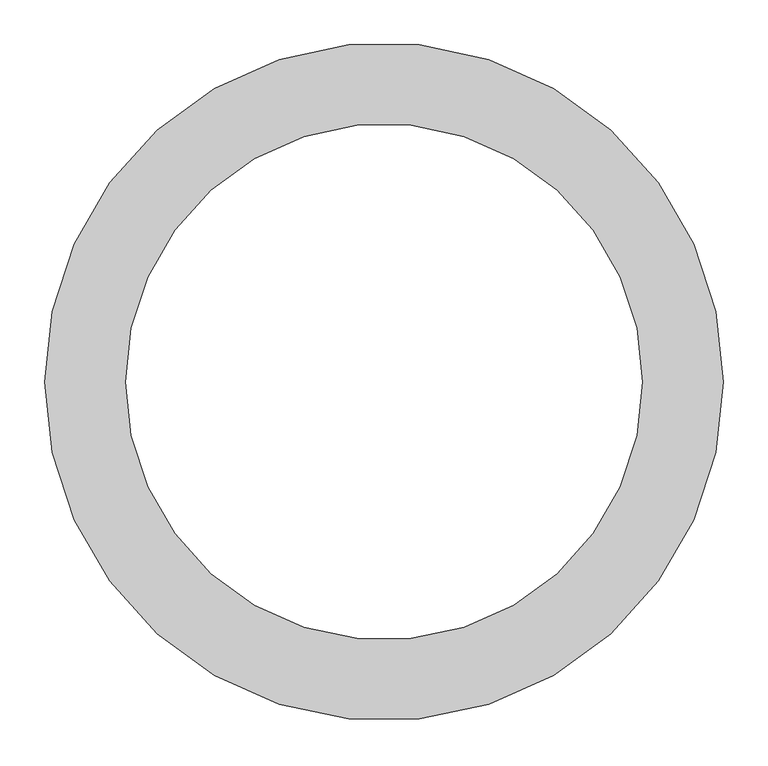
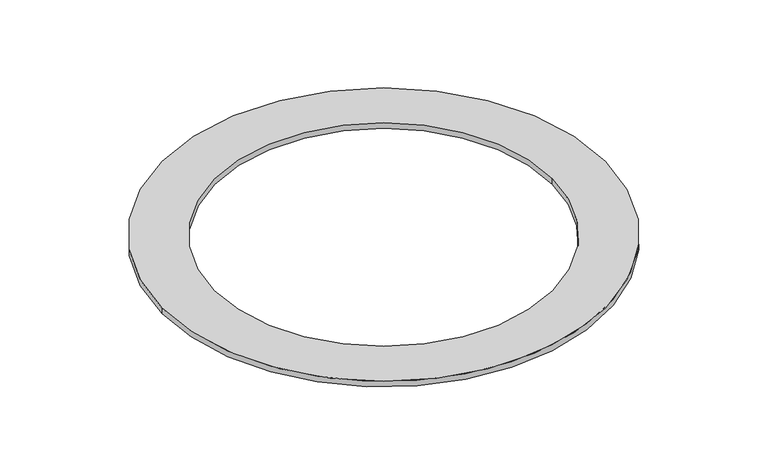
"""IFC4 building model written with IfcOpenShell, lengths in millimetres: furniture geometry."""

from ifc_helpers import new_model, si_unit, point, origin, origin_with_axes, origin_2d, place, context, project, spatial, circle_curve, trimmed, segment, composite_curve, outline, extrude, source, transform, mapped, element, save


def furniture_388f5440(model_context):
    return source(origin(), model_context, "Body", "SweptSolid", [
        extrude(outline(composite_curve([segment(trimmed(circle_curve(origin_2d(), 377.2672322), [point((-377.2672322, 0.0))], [point((377.2672322, 0.0))], False, "CARTESIAN"), True, "CONTINUOUS"), segment(trimmed(circle_curve(origin_2d(), 377.2672322), [point((377.2672322, 0.0))], [point((-377.2672322, 0.0))], False, "CARTESIAN"), True, "CONTINUOUS")], self_intersect=False), holes=[composite_curve([segment(trimmed(circle_curve(origin_2d(), 287.2672322), [point((287.2672322, 0.0))], [point((-287.2672322, 0.0))], True, "CARTESIAN"), True, "CONTINUOUS"), segment(trimmed(circle_curve(origin_2d(), 287.2672322), [point((-287.2672322, 0.0))], [point((287.2672322, 0.0))], True, "CARTESIAN"), True, "CONTINUOUS")], self_intersect=False)]), origin_with_axes(), (0.0, 0.0, 1.0), 10.0),
    ])


if __name__ == "__main__":
    model = new_model("IFC4")
    model_context = context("Model", 3, world=origin())
    ifc_project = project(units=[si_unit("LENGTHUNIT", "METRE", prefix="MILLI")], contexts=[model_context])
    site = spatial("IfcSite", under=ifc_project)
    building = spatial("IfcBuilding", under=site)
    placement = place(None, origin())
    furniture_shape = furniture_388f5440(model_context)
    element("IfcFurniture", 1, at=placement, inside=building, context=model_context, shape_type="MappedRepresentation", body=[
        mapped(furniture_shape, transform((0.0, 0.0, 0.0), x_axis=(1.0, 0.0, 0.0), y_axis=(0.0, 1.0, 0.0), z_axis=(0.0, 0.0, 1.0))),
    ])
    save(model, "model.ifc")
